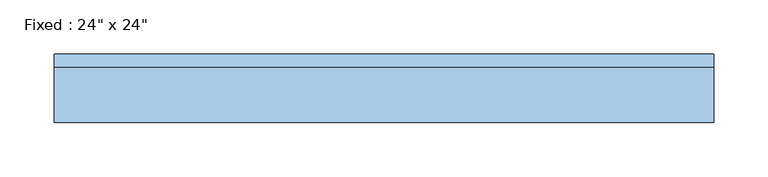
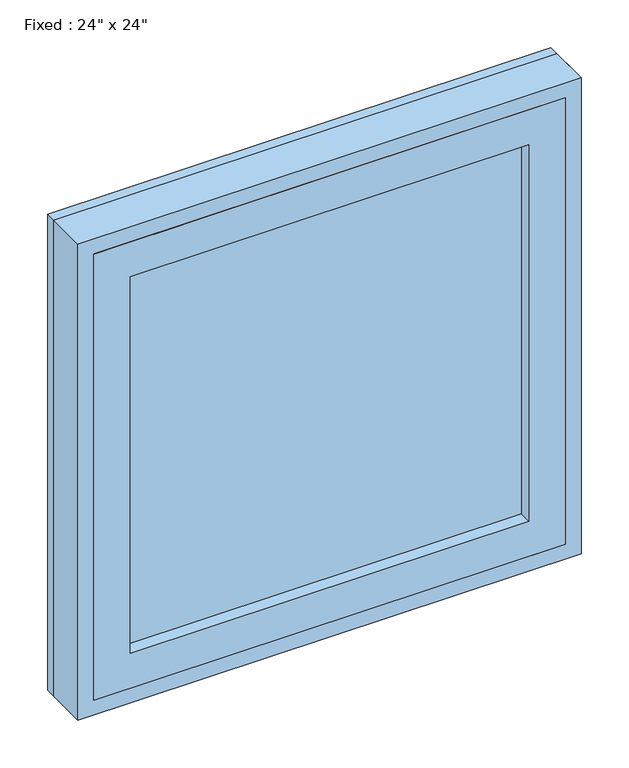
"""IFC4 building model written with IfcOpenShell, lengths in millimetres: window geometry."""

from ifc_helpers import new_model, si_unit, frame, origin, place, context, project, spatial, polyline, outline, extrude, source, transform, mapped, element, save


def window_1fe8ffc9(model_context):
    return source(origin(), model_context, "Body", "SweptSolid", [
        extrude(outline(polyline([(203.2, -41.275), (-279.4, -41.275), (-279.4, -28.575), (203.2, -28.575), (203.2, -41.275)])), frame((0.0, 0.0, 977.9), z_axis=(0.0, 0.0, 1.0), x_axis=(1.0, 0.0, 0.0)), (0.0, 0.0, 1.0), 482.6),
        extrude(outline(polyline([(1504.95, -323.85), (933.45, -323.85), (933.45, 247.65), (1504.95, 247.65), (1504.95, -323.85)]), holes=[polyline([(1460.5, -279.4), (1460.5, 203.2), (977.9, 203.2), (977.9, -279.4), (1460.5, -279.4)])]), frame((0.0, -57.15, 0.0), z_axis=(0.0, 1.0, 0.0), x_axis=(0.0, 0.0, 1.0)), (0.0, 0.0, 1.0), 44.45),
        extrude(outline(polyline([(1524.0, -342.9), (914.4, -342.9), (914.4, 266.7), (1524.0, 266.7), (1524.0, -342.9)]), holes=[polyline([(1492.25, -311.15), (1492.25, 234.95), (946.15, 234.95), (946.15, -311.15), (1492.25, -311.15)])]), frame((0.0, -57.15, 0.0), z_axis=(0.0, 1.0, 0.0), x_axis=(0.0, 0.0, 1.0)), (0.0, 0.0, 1.0), 50.8),
        extrude(outline(polyline([(1524.0, 266.7), (1524.0, -342.9), (914.4, -342.9), (914.4, 266.7), (1524.0, 266.7)]), holes=[polyline([(1504.95, 247.65), (933.45, 247.65), (933.45, -323.85), (1504.95, -323.85), (1504.95, 247.65)])]), frame((0.0, -57.15, 0.0), z_axis=(0.0, 1.0, 0.0), x_axis=(0.0, 0.0, 1.0)), (0.0, 0.0, 1.0), 63.5),
    ])


if __name__ == "__main__":
    model = new_model("IFC4")
    model_context = context("Model", 3, world=origin())
    ifc_project = project(units=[si_unit("LENGTHUNIT", "METRE", prefix="MILLI")], contexts=[model_context])
    site = spatial("IfcSite", under=ifc_project)
    building = spatial("IfcBuilding", under=site)
    placement = place(None, origin())
    window_shape = window_1fe8ffc9(model_context)
    element("IfcWindow", 1, ObjectType="Fixed : 24\" x 24\"", at=placement, inside=building, context=model_context, shape_type="MappedRepresentation", body=[
        mapped(window_shape, transform((0.0, 0.0, 0.0), x_axis=(1.0, 0.0, 0.0), y_axis=(0.0, 1.0, 0.0), z_axis=(0.0, 0.0, 1.0))),
    ])
    save(model, "model.ifc")
